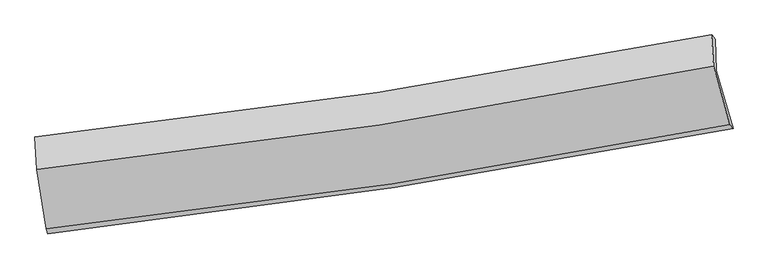
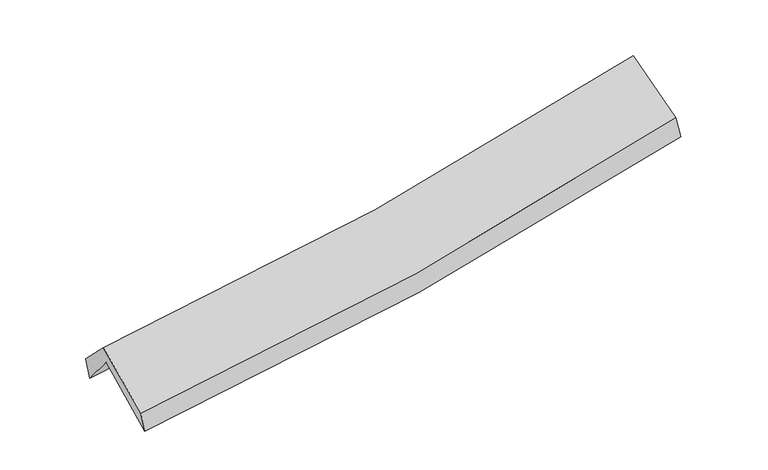
"""IFC4 building model written with IfcOpenShell, lengths in millimetres: proxy geometry."""

from ifc_helpers import new_model, si_unit, frame, origin, place, context, project, spatial, source, transform, mapped, element, save
from ifc_brep_helpers import plane_surface, spline_curve, spline_surface, advanced_brep


def generic_models_aa068ad3(model_context):
    return source(origin(), model_context, "Body", "AdvancedBrep", [
        advanced_brep(
        [(-2812.36289, -2516.2925173, 1470.0831207), (-2894.8462085, -2002.2907507, 1902.3716489), (2810.4179421, -1138.5126712, 2402.2846845), (2951.4817225, -1626.6344497, 1965.7483313), (-2905.8802445, -1746.1220668, 1589.0806961), (2800.141773, -876.0186889, 2075.8734089), (-2921.1285052, -1699.1404606, 1764.1259175), (2770.2658722, -838.8966081, 2272.9128522), (-2906.1211204, -1971.884583, 2040.3847669), (2787.7285995, -1104.272183, 2542.3802446), (-2826.7157094, -2474.332706, 1639.3299783), (2924.0380143, -1594.250074, 2149.4548589)],
        [
            (0, 1),
            (1, 2, spline_curve(3, [(-2894.8462085, -2002.2907507, 1902.3716489), (-1928.534234991, -1897.515137583, 1951.274021244), (-966.758982824, -1772.52406004, 2017.784107949), (934.874812277, -1484.059210761, 2184.891102247), (1874.854277191, -1321.124262098, 2285.01869395), (2810.4179421, -1138.5126712, 2402.2846845)], [4, 2, 4], [0.0, 9.620642565001283, 19.11220500704307])),
            (2, 3),
            (3, 0, spline_curve(3, [(2951.4817225, -1626.6344497, 1965.7483313), (2007.388248279, -1811.219323141, 1838.652864764), (1058.299086637, -1977.275209675, 1733.926561847), (-862.845649493, -2274.335294076, 1568.092270941), (-1835.038025524, -2404.832096903, 1507.596836775), (-2812.36289, -2516.2925173, 1470.0831207)], [4, 2, 4], [0.0, 9.491562442041786, 19.11220500704307])),
            (1, 4),
            (4, 5, spline_curve(3, [(-2905.8802445, -1746.1220668, 1589.0806961), (-1939.504451246, -1636.299335255, 1629.101488538), (-977.633493431, -1508.267489633, 1690.092598642), (924.253773782, -1217.747684939, 1852.915778604), (1864.39015534, -1055.745071193, 1954.188905997), (2800.141773, -876.0186889, 2075.8734089)], [4, 2, 4], [0.0, 9.570281759034623, 19.012159085842733])),
            (5, 2),
            (4, 6),
            (6, 7, spline_curve(3, [(-2921.1285052, -1699.1404606, 1764.1259175), (-1956.637102619, -1594.622199823, 1807.864711268), (-996.937467322, -1470.057439876, 1872.559959509), (900.066271874, -1182.775170212, 2042.71417753), (1837.498095993, -1020.591979241, 2147.614573755), (2770.2658722, -838.8966081, 2272.9128522)], [4, 2, 4], [0.0, 9.559541646909059, 18.9908229616332])),
            (7, 5),
            (6, 8),
            (8, 9, spline_curve(3, [(-2906.1211204, -1971.884583, 2040.3847669), (-1941.036739074, -1868.487199932, 2085.351537468), (-980.835232351, -1743.856725938, 2150.083002396), (916.984526464, -1454.086646335, 2317.941635776), (1854.732926096, -1289.512986961, 2420.541996987), (2787.7285995, -1104.272183, 2542.3802446)], [4, 2, 4], [0.0, 9.550645010292392, 18.9731490545379])),
            (9, 7),
            (8, 10),
            (10, 11, spline_curve(3, [(-2826.7157094, -2474.332706, 1639.3299783), (-1851.186279052, -2370.421327387, 1684.366272665), (-880.991249974, -2244.482320579, 1749.818896383), (1035.784474773, -1950.534319565, 1920.404699612), (1982.507353689, -1783.112448733, 2024.993702788), (2924.0380143, -1594.250074, 2149.4548589)], [4, 2, 4], [0.0, 9.60163994436973, 19.07445472386526])),
            (11, 9),
            (10, 0),
            (3, 11),
        ],
        [
            spline_surface(3, 3, [[(-2812.36289, -2516.2925173, 1470.0831207), (-1835.03802558, -2404.832096944, 1507.596836926), (-862.845649561, -2274.335294107, 1568.092270879), (1058.299086705, -1977.275209644, 1733.926561908), (2007.388248202, -1811.219323234, 1838.652864818), (2951.4817225, -1626.6344497, 1965.7483313)], [(-2839.857329512, -2344.958595109, 1614.179296778), (-1866.203428694, -2235.726443847, 1655.489231723), (-897.483427325, -2107.064882725, 1717.989549926), (1017.157661917, -1812.869876748, 1884.248075323), (1963.210257854, -1647.854302852, 1987.441474537), (2904.46046236, -1463.927190195, 2111.260449041)], [(-2867.351768988, -2173.624672891, 1758.275472822), (-1897.368831773, -2066.620790724, 1803.381626485), (-932.121205107, -1939.794471284, 1867.886828985), (976.016237111, -1648.464543793, 2034.569588749), (1919.032267527, -1484.489282486, 2136.230084233), (2857.43920224, -1301.219930705, 2256.772566759)], [(-2894.8462085, -2002.2907507, 1902.3716489), (-1928.534234887, -1897.515137627, 1951.274021282), (-966.758982871, -1772.524059902, 2017.784108032), (934.874812323, -1484.059210898, 2184.891102165), (1874.854277179, -1321.124262104, 2285.018693952), (2810.4179421, -1138.5126712, 2402.2846845)]], [4, 4], [4, 2, 4], [0.0, 2.2330338323554124], [0.0, 9.620642565001283, 19.11220500704307]),
            spline_surface(3, 3, [[(-2894.8462085, -2002.2907507, 1902.3716489), (-1928.534234887, -1897.515137627, 1951.274021282), (-966.758982871, -1772.524059902, 2017.784108032), (934.874812323, -1484.059210898, 2184.891102165), (1874.854277179, -1321.124262104, 2285.018693952), (2810.4179421, -1138.5126712, 2402.2846845)], [(-2898.524220509, -1916.901189392, 1797.941331295), (-1932.190973697, -1810.443203457, 1843.883177002), (-970.38381974, -1684.438536438, 1908.553604896), (931.334466182, -1395.288702238, 2074.232660972), (1871.366236529, -1232.664531803, 2174.742097973), (2806.992552383, -1051.014677083, 2293.480925971)], [(-2902.202232491, -1831.511628108, 1693.511013705), (-1935.847712479, -1723.371269311, 1736.492332736), (-974.008656645, -1596.353013044, 1799.323101779), (927.794120006, -1306.51819365, 1963.574219797), (1867.87819593, -1144.204801551, 2064.465501981), (2803.567162717, -963.516683017, 2184.677167429)], [(-2905.8802445, -1746.1220668, 1589.0806961), (-1939.504451289, -1636.299335141, 1629.101488456), (-977.633493515, -1508.26748958, 1690.092598643), (924.253773865, -1217.747684991, 1852.915778604), (1864.39015528, -1055.74507125, 1954.188906003), (2800.141773, -876.0186889, 2075.8734089)]], [4, 4], [4, 2, 4], [0.0, 1.389056503182779], [0.0, 9.570281759034623, 19.012159085842733]),
            spline_surface(3, 3, [[(-2905.8802445, -1746.1220668, 1589.0806961), (-1939.504451289, -1636.299335141, 1629.101488456), (-977.633493515, -1508.26748958, 1690.092598643), (924.253773865, -1217.747684991, 1852.915778604), (1864.39015528, -1055.74507125, 1954.188906003), (2800.141773, -876.0186889, 2075.8734089)], [(-2910.962998057, -1730.461531399, 1647.429103226), (-1945.215335013, -1622.40695672, 1688.689229364), (-984.068151515, -1495.53080636, 1750.915052293), (916.191273226, -1206.090180056, 1916.18191152), (1855.426135574, -1044.027373939, 2018.664128613), (2790.183139413, -863.644661977, 2141.553223332)], [(-2916.045751643, -1714.800996001, 1705.777510374), (-1950.926218765, -1608.514578303, 1748.276970294), (-990.502809456, -1482.794123132, 1811.73750599), (908.128772646, -1194.432675111, 1979.448044483), (1846.462115828, -1032.309676599, 2083.139351227), (2780.224505787, -851.270635023, 2207.233037768)], [(-2921.1285052, -1699.1404606, 1764.1259175), (-1956.637102489, -1594.622199882, 1807.864711203), (-996.937467456, -1470.057439912, 1872.55995964), (900.066272006, -1182.775170176, 2042.7141774), (1837.498096122, -1020.591979288, 2147.614573837), (2770.2658722, -838.8966081, 2272.9128522)]], [4, 4], [4, 2, 4], [0.0, 0.626279639654829], [0.0, 9.559541646909059, 18.9908229616332]),
            spline_surface(3, 3, [[(-2921.1285052, -1699.1404606, 1764.1259175), (-1956.637102489, -1594.622199882, 1807.864711203), (-996.937467456, -1470.057439912, 1872.55995964), (900.066272006, -1182.775170176, 2042.7141774), (1837.498096122, -1020.591979288, 2147.614573837), (2770.2658722, -838.8966081, 2272.9128522)], [(-2916.126043605, -1790.055168084, 1856.212200641), (-1951.43698137, -1685.910533291, 1900.360319959), (-991.570055709, -1561.32386861, 1965.067640531), (905.705690143, -1273.212328904, 2134.456663573), (1843.243039471, -1110.232315222, 2238.590381543), (2776.086781318, -927.355133067, 2362.735316343)], [(-2911.123581995, -1880.969875516, 1948.298483759), (-1946.236860237, -1777.198866649, 1992.855928692), (-986.202644005, -1652.590297262, 2057.575321391), (911.345108235, -1363.649487587, 2226.199149715), (1848.987982767, -1199.872651154, 2329.56618922), (2781.907690382, -1015.813658033, 2452.557780457)], [(-2906.1211204, -1971.884583, 2040.3847669), (-1941.036739117, -1868.487200058, 2085.351537449), (-980.835232257, -1743.856725959, 2150.083002282), (916.984526372, -1454.086646314, 2317.941635888), (1854.732926116, -1289.512987089, 2420.541996926), (2787.7285995, -1104.272183, 2542.3802446)]], [4, 4], [4, 2, 4], [0.0, 1.2747220896798939], [0.0, 9.550645010292392, 18.9731490545379]),
            spline_surface(3, 3, [[(-2906.1211204, -1971.884583, 2040.3847669), (-1941.036739117, -1868.487200058, 2085.351537449), (-980.835232257, -1743.856725959, 2150.083002282), (916.984526372, -1454.086646314, 2317.941635888), (1854.732926116, -1289.512987089, 2420.541996926), (2787.7285995, -1104.272183, 2542.3802446)], [(-2879.652650077, -2139.367290649, 1906.699837357), (-1911.086585818, -2035.798575775, 1951.689782496), (-947.55390487, -1910.731924176, 2016.661633659), (956.584509183, -1619.569204019, 2185.42932381), (1897.324401923, -1454.046140968, 2288.692565507), (2833.165071074, -1267.598146675, 2411.405116022)], [(-2853.184179723, -2306.849998351, 1773.014907843), (-1881.136432487, -2203.109951545, 1818.028027574), (-914.272577438, -2077.607122447, 1883.240265), (996.184492038, -1785.051761778, 2052.917011696), (1939.915877807, -1618.579294823, 2156.843134123), (2878.601542726, -1430.924110325, 2280.429987478)], [(-2826.7157094, -2474.332706, 1639.3299783), (-1851.186279187, -2370.421327261, 1684.366272622), (-880.991250051, -2244.482320663, 1749.818896377), (1035.784474849, -1950.534319482, 1920.404699618), (1982.507353614, -1783.112448703, 2024.993702704), (2924.0380143, -1594.250074, 2149.4548589)]], [4, 4], [4, 2, 4], [0.0, 2.125281279346842], [0.0, 9.60163994436973, 19.07445472386526]),
            spline_surface(3, 3, [[(-2826.7157094, -2474.332706, 1639.3299783), (-1851.186279187, -2370.421327261, 1684.366272622), (-880.991250051, -2244.482320663, 1749.818896377), (1035.784474849, -1950.534319482, 1920.404699618), (1982.507353614, -1783.112448703, 2024.993702704), (2924.0380143, -1594.250074, 2149.4548589)], [(-2821.93143624, -2488.319309768, 1582.914359102), (-1845.803527958, -2381.891583824, 1625.443127392), (-874.942716552, -2254.433311815, 1689.243354548), (1043.28934547, -1959.44794954, 1858.245320385), (1990.800985163, -1792.481406883, 1962.880090067), (2933.185917053, -1605.044865903, 2088.219349691)], [(-2817.14716316, -2502.305913532, 1526.498739898), (-1840.420776809, -2393.361840382, 1566.519982156), (-868.89418306, -2264.384302955, 1628.667812709), (1050.794216084, -1968.361579586, 1796.085941141), (1999.094616653, -1801.850365054, 1900.766477455), (2942.333819747, -1615.839657797, 2026.983840509)], [(-2812.36289, -2516.2925173, 1470.0831207), (-1835.03802558, -2404.832096944, 1507.596836926), (-862.845649561, -2274.335294107, 1568.092270879), (1058.299086705, -1977.275209644, 1733.926561908), (2007.388248202, -1811.219323234, 1838.652864818), (2951.4817225, -1626.6344497, 1965.7483313)]], [4, 4], [4, 2, 4], [0.0, 0.6146282854227739], [0.0, 9.660947662454554, 19.192274428617683]),
            plane_surface(frame((2840.6789873, -1196.4307792, 2234.7757301), z_axis=(0.9769756424365654, 0.18022744531098517, 0.1141782030088773), x_axis=(0.21209239306770555, -0.7623874232732802, -0.6113773250927305))),
            plane_surface(frame((-2877.8424463, -2068.3438474, 1734.2293547), z_axis=(-0.9921327722832236, -0.11174979054125486, -0.056431786039349334), x_axis=(-0.08203469276913242, 0.23982467235694832, 0.9673440110483739))),
        ],
        [
            (0, [[1, 2, 3, 4]]),
            (1, [[5, 6, 7, -2]]),
            (2, [[8, 9, 10, -6]]),
            (3, [[11, 12, 13, -9]]),
            (4, [[14, 15, 16, -12]]),
            (5, [[17, -4, 18, -15]]),
            (6, [[-16, -18, -3, -7, -10, -13]]),
            (7, [[-17, -14, -11, -8, -5, -1]]),
        ],
    ),
    ])


if __name__ == "__main__":
    model = new_model("IFC4")
    model_context = context("Model", 3, world=origin())
    ifc_project = project(units=[si_unit("LENGTHUNIT", "METRE", prefix="MILLI")], contexts=[model_context])
    site = spatial("IfcSite", under=ifc_project)
    building = spatial("IfcBuilding", under=site)
    placement = place(None, origin())
    generic_models_shape = generic_models_aa068ad3(model_context)
    element("IfcBuildingElementProxy", 1, Name="Generic Models", at=placement, inside=building, context=model_context, shape_type="MappedRepresentation", body=[
        mapped(generic_models_shape, transform((0.0, 0.0, 0.0), x_axis=(1.0, 0.0, 0.0), y_axis=(0.0, 1.0, 0.0), z_axis=(0.0, 0.0, 1.0))),
    ])
    save(model, "model.ifc")
